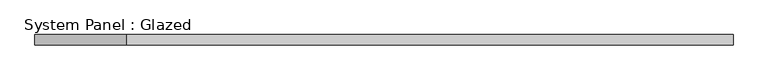
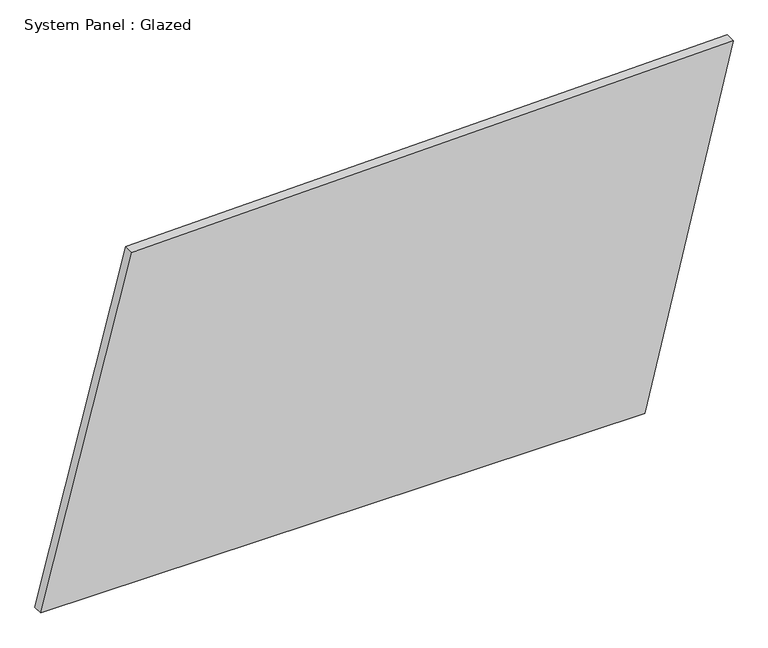
"""IFC4 building model written with IfcOpenShell, lengths in millimetres: plate geometry, System Panel : Glazed."""

from ifc_helpers import new_model, si_unit, frame, origin, place, context, project, spatial, polyline, outline, extrude, source, transform, mapped, element, save


def system_panel_glazed_ff9a7105(model_context):
    return source(origin(), model_context, "Body", "SweptSolid", [
        extrude(outline(polyline([(0.0, -834.0406341), (0.0, 620.6949718), (874.8716426, 834.0406341), (842.4655058, -614.5605256), (0.0, -834.0406341)])), frame((0.0, -49.5, 0.0), z_axis=(0.0, 1.0, 0.0), x_axis=(0.0, 0.0, 1.0)), (0.0, 0.0, 1.0), 25.0),
    ])


if __name__ == "__main__":
    model = new_model("IFC4")
    model_context = context("Model", 3, world=origin())
    ifc_project = project(units=[si_unit("LENGTHUNIT", "METRE", prefix="MILLI")], contexts=[model_context])
    site = spatial("IfcSite", under=ifc_project)
    building = spatial("IfcBuilding", under=site)
    placement = place(None, origin())
    system_panel_glazed_shape = system_panel_glazed_ff9a7105(model_context)
    element("IfcPlate", 1, ObjectType="System Panel : Glazed", at=placement, inside=building, context=model_context, shape_type="MappedRepresentation", body=[
        mapped(system_panel_glazed_shape, transform((0.0, 0.0, 0.0), x_axis=(1.0, 0.0, 0.0), y_axis=(0.0, 1.0, 0.0), z_axis=(0.0, 0.0, 1.0))),
    ])
    save(model, "model.ifc")
